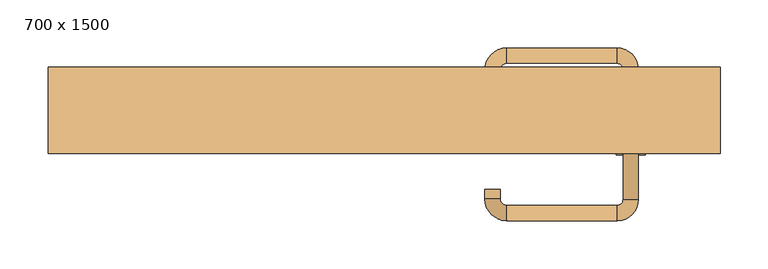
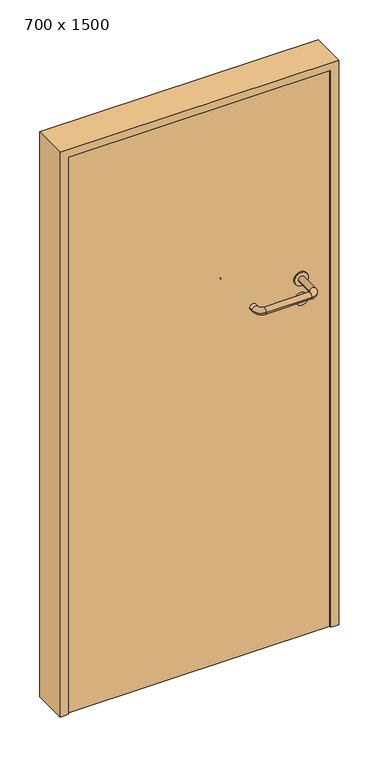
"""IFC4 building model written with IfcOpenShell, lengths in millimetres: door geometry, 700 x 1500."""

from ifc_helpers import new_model, si_unit, point, frame, frame_2d, origin, origin_with_axes, place, context, project, spatial, polyline, circle_curve, ellipse_curve, trimmed, segment, composite_curve, outline, extrude, source, transform, mapped, element, save
from ifc_brep_helpers import plane_surface, cylinder_surface, revolved_surface, advanced_brep


def door_700_x_1500_1ee8ff2c(model_context):
    return source(origin(), model_context, "Body", "SolidModel", [
        extrude(outline(composite_curve([segment(trimmed(circle_curve(frame_2d((897.3605726, 257.0)), 15.0), [point((897.3605726, 272.0))], [point((897.3605726, 242.0))], False, "CARTESIAN"), True, "CONTINUOUS"), segment(trimmed(circle_curve(frame_2d((897.3605726, 257.0)), 15.0), [point((897.3605726, 242.0))], [point((897.3605726, 272.0))], False, "CARTESIAN"), True, "CONTINUOUS")], self_intersect=False), holes=[composite_curve([segment(trimmed(circle_curve(frame_2d((892.5833211, 256.9398032)), 2.0), [point((892.5833211, 258.9398032))], [point((892.5833211, 254.9398032))], True, "CARTESIAN"), True, "CONTINUOUS"), segment(polyline([(892.5833211, 254.9398032), (902.5833211, 254.9398032)]), True, "CONTINUOUS"), segment(trimmed(circle_curve(frame_2d((902.5833211, 256.9398032)), 2.0), [point((902.5833211, 254.9398032))], [point((902.5833211, 258.9398032))], True, "CARTESIAN"), True, "CONTINUOUS"), segment(polyline([(902.5833211, 258.9398032), (892.5833211, 258.9398032)]), True, "CONTINUOUS")], self_intersect=False)]), frame((0.0, -110.0, 0.0), z_axis=(0.0, 1.0, 0.0), x_axis=(0.0, 0.0, 1.0)), (0.0, 0.0, 1.0), 6.35),
        extrude(outline(composite_curve([segment(trimmed(circle_curve(frame_2d((950.0, 257.0)), 17.526), [point((950.0, 274.526))], [point((950.0, 239.474))], False, "CARTESIAN"), True, "CONTINUOUS"), segment(trimmed(circle_curve(frame_2d((950.0, 257.0)), 17.526), [point((950.0, 239.474))], [point((950.0, 274.526))], False, "CARTESIAN"), True, "CONTINUOUS")], self_intersect=False)), frame((0.0, -110.0, 0.0), z_axis=(0.0, 1.0, 0.0), x_axis=(0.0, 0.0, 1.0)), (0.0, 0.0, 1.0), 3.175),
        advanced_brep(
        [(265.0, -110.0, 950.0), (249.0, -110.0, 950.0), (265.0, -57.0, 950.0), (249.0, -57.0, 950.0), (242.8578644, -50.8578644, 950.0), (242.8578644, -34.8578644, 950.0), (127.8578644, -34.8578644, 950.0), (127.8578644, -50.8578644, 950.0), (121.008622, -57.7071068, 950.0), (105.008622, -57.7071068, 950.0), (105.008622, -67.7071068, 950.0), (121.008622, -67.7071068, 950.0)],
        [
            (0, 1, circle_curve(frame((257.0, -110.0, 950.0), z_axis=(0.0, -1.0, 0.0), x_axis=(-1.0, 0.0, 0.0)), 8.0)),
            (1, 0, circle_curve(frame((257.0, -110.0, 950.0), z_axis=(0.0, -1.0, 0.0), x_axis=(-1.0, 0.0, 0.0)), 8.0)),
            (0, 2),
            (2, 3, circle_curve(frame((257.0, -57.0, 950.0), z_axis=(0.0, -1.0, 0.0), x_axis=(-1.0, 0.0, 0.0)), 8.0)),
            (3, 1),
            (3, 2, circle_curve(frame((257.0, -57.0, 950.0), z_axis=(0.0, -1.0, 0.0), x_axis=(-1.0, 0.0, 0.0)), 8.0)),
            (4, 3, circle_curve(frame((242.8578644, -57.0, 950.0), z_axis=(0.0, 0.0, -1.0), x_axis=(1.0, 0.0, 0.0)), 6.1421356)),
            (2, 5, circle_curve(frame((242.8578644, -57.0, 950.0), z_axis=(0.0, 0.0, 1.0), x_axis=(1.0, 0.0, 0.0)), 22.1421356)),
            (5, 4, circle_curve(frame((242.8578644, -42.8578644, 950.0), z_axis=(1.0, 0.0, 0.0), x_axis=(0.0, -1.0, 0.0)), 8.0)),
            (4, 5, circle_curve(frame((242.8578644, -42.8578644, 950.0), z_axis=(1.0, 0.0, 0.0), x_axis=(0.0, -1.0, 0.0)), 8.0)),
            (5, 6),
            (6, 7, circle_curve(frame((127.8578644, -42.8578644, 950.0), z_axis=(1.0, 0.0, 0.0), x_axis=(0.0, -1.0, 0.0)), 8.0)),
            (7, 4),
            (7, 6, circle_curve(frame((127.8578644, -42.8578644, 950.0), z_axis=(1.0, 0.0, 0.0), x_axis=(0.0, -1.0, 0.0)), 8.0)),
            (8, 7, circle_curve(frame((127.8578644, -57.7071068, 950.0), z_axis=(0.0, 0.0, -1.0), x_axis=(0.0, 1.0, 0.0)), 6.8492424)),
            (6, 9, circle_curve(frame((127.8578644, -57.7071068, 950.0), z_axis=(0.0, 0.0, 1.0), x_axis=(0.0, 1.0, 0.0)), 22.8492424)),
            (9, 8, circle_curve(frame((113.008622, -57.7071068, 950.0), z_axis=(0.0, 1.0, 0.0), x_axis=(1.0, 0.0, 0.0)), 8.0)),
            (8, 9, circle_curve(frame((113.008622, -57.7071068, 950.0), z_axis=(0.0, 1.0, 0.0), x_axis=(1.0, 0.0, 0.0)), 8.0)),
            (10, 11, circle_curve(frame((113.008622, -67.7071068, 950.0), z_axis=(0.0, -1.0, 0.0), x_axis=(1.0, 0.0, 0.0)), 8.0)),
            (11, 10, circle_curve(frame((113.008622, -67.7071068, 950.0), z_axis=(0.0, -1.0, 0.0), x_axis=(1.0, 0.0, 0.0)), 8.0)),
            (9, 10),
            (11, 8),
        ],
        [
            plane_surface(frame((257.0, -110.0, 0.0), z_axis=(0.0, -1.0, 0.0), x_axis=(0.0, 0.0, 1.0))),
            cylinder_surface(frame((257.0, -110.0, 950.0), z_axis=(0.0, -1.0, 0.0), x_axis=(-1.0, 0.0, 0.0)), 8.0),
            revolved_surface(trimmed(ellipse_curve(frame((257.0, -57.0, 950.0), z_axis=(0.0, -1.0, 0.0), x_axis=(-1.0, 0.0, 0.0)), 8.0, 8.0), [point((265.0, -57.0, 950.0))], [point((249.0, -57.0, 950.0))], True, "CARTESIAN"), (242.8578644, -57.0, 0.0), (0.0, 0.0, 1.0)),
            revolved_surface(trimmed(ellipse_curve(frame((257.0, -57.0, 950.0), z_axis=(0.0, -1.0, 0.0), x_axis=(-1.0, 0.0, 0.0)), 8.0, 8.0), [point((249.0, -57.0, 950.0))], [point((265.0, -57.0, 950.0))], True, "CARTESIAN"), (242.8578644, -57.0, 0.0), (0.0, 0.0, 1.0)),
            cylinder_surface(frame((242.8578644, -42.8578644, 950.0), z_axis=(1.0, 0.0, 0.0), x_axis=(0.0, -1.0, 0.0)), 8.0),
            revolved_surface(trimmed(ellipse_curve(frame((127.8578644, -42.8578644, 950.0), z_axis=(1.0, 0.0, 0.0), x_axis=(0.0, -1.0, 0.0)), 8.0, 8.0), [point((127.8578644, -34.8578644, 950.0))], [point((127.8578644, -50.8578644, 950.0))], True, "CARTESIAN"), (127.8578644, -57.7071068, 0.0), (0.0, 0.0, 1.0)),
            revolved_surface(trimmed(ellipse_curve(frame((127.8578644, -42.8578644, 950.0), z_axis=(1.0, 0.0, 0.0), x_axis=(0.0, -1.0, 0.0)), 8.0, 8.0), [point((127.8578644, -50.8578644, 950.0))], [point((127.8578644, -34.8578644, 950.0))], True, "CARTESIAN"), (127.8578644, -57.7071068, 0.0), (0.0, 0.0, 1.0)),
            plane_surface(frame((113.008622, -67.7071068, 0.0), z_axis=(0.0, -1.0, 0.0), x_axis=(0.0, 0.0, 1.0))),
            cylinder_surface(frame((113.008622, -57.7071068, 950.0), z_axis=(0.0, 1.0, 0.0), x_axis=(1.0, 0.0, 0.0)), 8.0),
        ],
        [
            (0, [[1, 2]]),
            (1, [[-1, 3, 4, 5]]),
            (1, [[-2, -5, 6, -3]]),
            (2, [[7, -4, 8, 9]]),
            (3, [[-8, -6, -7, 10]]),
            (4, [[-9, 11, 12, 13]]),
            (4, [[-10, -13, 14, -11]]),
            (5, [[15, -12, 16, 17]]),
            (6, [[-16, -14, -15, 18]]),
            (7, [[19, 20]]),
            (8, [[-17, 21, -20, 22]]),
            (8, [[-18, -22, -19, -21]]),
        ],
    ),
        extrude(outline(composite_curve([segment(trimmed(circle_curve(frame_2d((0.0, 15.0)), 15.0), [point((0.0, 30.0))], [point((0.0, 0.0))], False, "CARTESIAN"), True, "CONTINUOUS"), segment(trimmed(circle_curve(frame_2d((0.0, 15.0)), 15.0), [point((0.0, 0.0))], [point((0.0, 30.0))], False, "CARTESIAN"), True, "CONTINUOUS")], self_intersect=False), holes=[composite_curve([segment(trimmed(circle_curve(frame_2d((-4.7772515, 14.9398032)), 2.0), [point((-4.7772515, 16.9398032))], [point((-4.7772515, 12.9398032))], True, "CARTESIAN"), True, "CONTINUOUS"), segment(polyline([(-4.7772515, 12.9398032), (5.2227485, 12.9398032)]), True, "CONTINUOUS"), segment(trimmed(circle_curve(frame_2d((5.2227485, 14.9398032)), 2.0), [point((5.2227485, 12.9398032))], [point((5.2227485, 16.9398032))], True, "CARTESIAN"), True, "CONTINUOUS"), segment(polyline([(5.2227485, 16.9398032), (-4.7772515, 16.9398032)]), True, "CONTINUOUS")], self_intersect=False)]), frame((242.0, -146.35, 897.3605726), z_axis=(-1.8870575173328306e-12, 1.0, 0.0), x_axis=(0.0, 0.0, 1.0)), (0.0, 0.0, 1.0), 6.35),
        extrude(outline(composite_curve([segment(trimmed(circle_curve(frame_2d((0.0, 17.526)), 17.526), [point((0.0, 35.052))], [point((0.0, 0.0))], False, "CARTESIAN"), True, "CONTINUOUS"), segment(trimmed(circle_curve(frame_2d((0.0, 17.526)), 17.526), [point((0.0, 0.0))], [point((0.0, 35.052))], False, "CARTESIAN"), True, "CONTINUOUS")], self_intersect=False)), frame((239.474, -143.175, 950.0), z_axis=(-1.8870575173328306e-12, 1.0, 0.0), x_axis=(0.0, 0.0, 1.0)), (0.0, 0.0, 1.0), 3.175),
        advanced_brep(
        [(265.0, -140.0, 950.0), (249.0, -140.0, 950.0), (249.0, -193.0, 950.0), (265.0, -193.0, 950.0), (242.8578644, -199.1421356, 950.0), (242.8578644, -215.1421356, 950.0), (127.8578644, -199.1421356, 950.0), (127.8578644, -215.1421356, 950.0), (121.008622, -192.2928932, 950.0), (105.008622, -192.2928932, 950.0), (105.008622, -182.2928932, 950.0), (121.008622, -182.2928932, 950.0)],
        [
            (0, 1, circle_curve(frame((257.0, -140.0, 950.0), z_axis=(-1.888672253512351e-12, 1.0, 0.0), x_axis=(-1.0, -1.888672253512351e-12, 0.0)), 8.0)),
            (1, 0, circle_curve(frame((257.0, -140.0, 950.0), z_axis=(-1.888672253512351e-12, 1.0, 0.0), x_axis=(-1.0, -1.888672253512351e-12, 0.0)), 8.0)),
            (1, 2),
            (2, 3, circle_curve(frame((257.0, -193.0, 950.0), z_axis=(-1.888672253512351e-12, 1.0, 0.0), x_axis=(-1.0, -1.888672253512351e-12, 0.0)), 8.0)),
            (3, 0),
            (3, 2, circle_curve(frame((257.0, -193.0, 950.0), z_axis=(-1.888672253512351e-12, 1.0, 0.0), x_axis=(-1.0, -1.888672253512351e-12, 0.0)), 8.0)),
            (4, 5, circle_curve(frame((242.8578644, -207.1421356, 950.0), z_axis=(1.0, 1.913702061528922e-12, 0.0), x_axis=(-1.913702061528922e-12, 1.0, 0.0)), 8.0)),
            (5, 3, circle_curve(frame((242.8578644, -193.0, 950.0), z_axis=(0.0, 0.0, 1.0), x_axis=(1.0, 1.880717803715015e-12, 0.0)), 22.1421356)),
            (2, 4, circle_curve(frame((242.8578644, -193.0, 950.0), z_axis=(0.0, 0.0, -1.0), x_axis=(1.0, 1.880717803715015e-12, 0.0)), 6.1421356)),
            (5, 4, circle_curve(frame((242.8578644, -207.1421356, 950.0), z_axis=(1.0, 1.913702061528922e-12, 0.0), x_axis=(-1.913702061528922e-12, 1.0, 0.0)), 8.0)),
            (4, 6),
            (6, 7, circle_curve(frame((127.8578644, -207.1421356, 950.0), z_axis=(1.0, 1.913719828541269e-12, 0.0), x_axis=(-1.913719828541269e-12, 1.0, 0.0)), 8.0)),
            (7, 5),
            (7, 6, circle_curve(frame((127.8578644, -207.1421356, 950.0), z_axis=(1.0, 1.913719828541269e-12, 0.0), x_axis=(-1.913719828541269e-12, 1.0, 0.0)), 8.0)),
            (8, 9, circle_curve(frame((113.008622, -192.2928932, 950.0), z_axis=(1.8888942981172756e-12, -1.0, 0.0), x_axis=(1.0, 1.8888942981172756e-12, 0.0)), 8.0)),
            (9, 7, circle_curve(frame((127.8578644, -192.2928932, 950.0), z_axis=(0.0, 0.0, 1.0), x_axis=(1.9120873253494017e-12, -1.0, 0.0)), 22.8492424)),
            (6, 8, circle_curve(frame((127.8578644, -192.2928932, 950.0), z_axis=(0.0, 0.0, -1.0), x_axis=(1.9120873253494017e-12, -1.0, 0.0)), 6.8492424)),
            (9, 8, circle_curve(frame((113.008622, -192.2928932, 950.0), z_axis=(1.890448610351751e-12, -1.0, 0.0), x_axis=(1.0, 1.890448610351751e-12, 0.0)), 8.0)),
            (10, 11, circle_curve(frame((113.008622, -182.2928932, 950.0), z_axis=(-1.8903642334018795e-12, 1.0, 0.0), x_axis=(1.0, 1.8903642334018795e-12, 0.0)), 8.0)),
            (11, 10, circle_curve(frame((113.008622, -182.2928932, 950.0), z_axis=(-1.8903642334018795e-12, 1.0, 0.0), x_axis=(1.0, 1.8903642334018795e-12, 0.0)), 8.0)),
            (8, 11),
            (10, 9),
        ],
        [
            plane_surface(frame((257.0, -140.0, 0.0), z_axis=(-1.8870575173328306e-12, 1.0, 0.0), x_axis=(0.0, 0.0, 1.0))),
            cylinder_surface(frame((257.0, -140.0, 950.0), z_axis=(-1.888672253512351e-12, 1.0, 0.0), x_axis=(-1.0, -1.888672253512351e-12, 0.0)), 8.0),
            revolved_surface(trimmed(ellipse_curve(frame((257.0, -193.0, 950.0), z_axis=(1.8823325398945356e-12, -1.0, 0.0), x_axis=(-1.0, -1.8823325398945356e-12, 0.0)), 8.0, 8.0), [point((265.0, -193.0, 950.0))], [point((249.0, -193.0, 950.0))], True, "CARTESIAN"), (242.8578644, -193.0, 0.0), (0.0, 0.0, 1.0)),
            revolved_surface(trimmed(ellipse_curve(frame((257.0, -193.0, 950.0), z_axis=(1.8823325398945356e-12, -1.0, 0.0), x_axis=(-1.0, -1.8823325398945356e-12, 0.0)), 8.0, 8.0), [point((249.0, -193.0, 950.0))], [point((265.0, -193.0, 950.0))], True, "CARTESIAN"), (242.8578644, -193.0, 0.0), (0.0, 0.0, 1.0)),
            cylinder_surface(frame((242.8578644, -207.1421356, 950.0), z_axis=(1.0, 1.913719828541269e-12, 0.0), x_axis=(-1.913719828541269e-12, 1.0, 0.0)), 8.0),
            revolved_surface(trimmed(ellipse_curve(frame((127.8578644, -207.1421356, 950.0), z_axis=(-1.0, -1.913702061528922e-12, 0.0), x_axis=(-1.913702061528922e-12, 1.0, 0.0)), 8.0, 8.0), [point((127.8578644, -215.1421356, 950.0))], [point((127.8578644, -199.1421356, 950.0))], True, "CARTESIAN"), (127.8578644, -192.2928932, 0.0), (0.0, 0.0, 1.0)),
            revolved_surface(trimmed(ellipse_curve(frame((127.8578644, -207.1421356, 950.0), z_axis=(-1.0, -1.913702061528922e-12, 0.0), x_axis=(-1.913702061528922e-12, 1.0, 0.0)), 8.0, 8.0), [point((127.8578644, -199.1421356, 950.0))], [point((127.8578644, -215.1421356, 950.0))], True, "CARTESIAN"), (127.8578644, -192.2928932, 0.0), (0.0, 0.0, 1.0)),
            plane_surface(frame((113.008622, -182.2928932, 0.0), z_axis=(-1.8887494972223595e-12, 1.0, 0.0), x_axis=(0.0, 0.0, 1.0))),
            cylinder_surface(frame((113.008622, -192.2928932, 950.0), z_axis=(1.8903642334018795e-12, -1.0, 0.0), x_axis=(1.0, 1.8903642334018795e-12, 0.0)), 8.0),
        ],
        [
            (0, [[1, 2]]),
            (1, [[3, 4, 5, -2]]),
            (1, [[-5, 6, -3, -1]]),
            (2, [[7, 8, -4, 9]]),
            (3, [[10, -9, -6, -8]]),
            (4, [[11, 12, 13, -7]]),
            (4, [[-13, 14, -11, -10]]),
            (5, [[15, 16, -12, 17]]),
            (6, [[18, -17, -14, -16]]),
            (7, [[19, 20]]),
            (8, [[21, -19, 22, -15]]),
            (8, [[-22, -20, -21, -18]]),
        ],
    ),
        extrude(outline(polyline([(1480.0, 330.0), (0.0, 330.0), (0.0, 350.0), (1500.0, 350.0), (1500.0, -350.0), (0.0, -350.0), (0.0, -330.0), (1480.0, -330.0), (1480.0, 330.0)])), frame((0.0, -145.0, 0.0), z_axis=(0.0, 1.0, 0.0), x_axis=(0.0, 0.0, 1.0)), (0.0, 0.0, 1.0), 90.0),
        extrude(outline(polyline([(-330.0, -140.0), (-330.0, -110.0), (330.0, -110.0), (330.0, -140.0), (-330.0, -140.0)])), origin_with_axes(), (0.0, 0.0, 1.0), 1480.0),
    ])


if __name__ == "__main__":
    model = new_model("IFC4")
    model_context = context("Model", 3, world=origin())
    ifc_project = project(units=[si_unit("LENGTHUNIT", "METRE", prefix="MILLI")], contexts=[model_context])
    site = spatial("IfcSite", under=ifc_project)
    building = spatial("IfcBuilding", under=site)
    placement = place(None, origin())
    door_700_x_1500_shape = door_700_x_1500_1ee8ff2c(model_context)
    element("IfcDoor", 1, ObjectType="700 x 1500", at=placement, inside=building, context=model_context, shape_type="MappedRepresentation", body=[
        mapped(door_700_x_1500_shape, transform((0.0, 0.0, 0.0), x_axis=(1.0, 0.0, 0.0), y_axis=(0.0, 1.0, 0.0), z_axis=(0.0, 0.0, 1.0))),
    ])
    save(model, "model.ifc")
